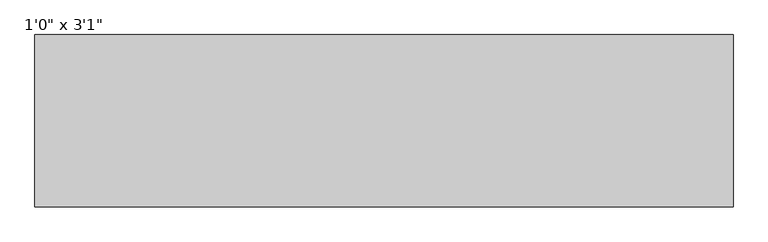
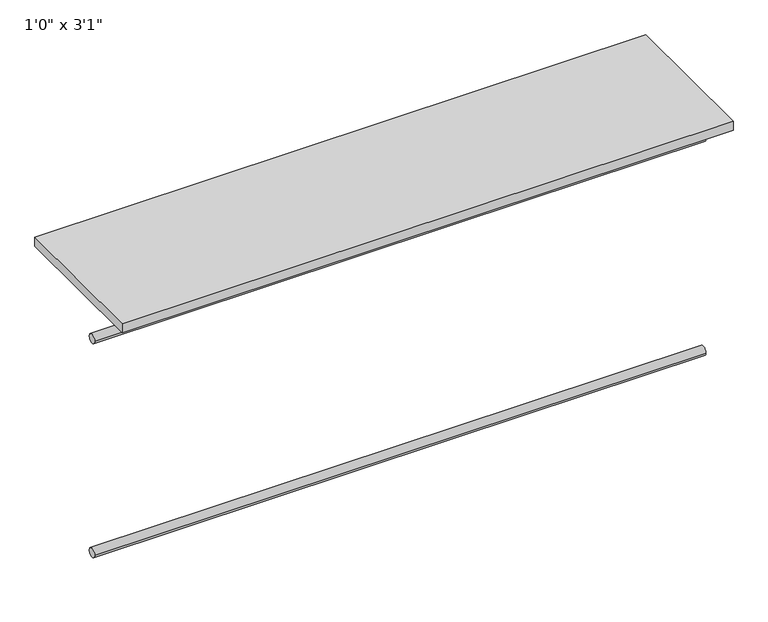
"""IFC4 building model written with IfcOpenShell, lengths in millimetres: furniture geometry."""

from ifc_helpers import new_model, si_unit, point, frame, frame_2d, origin, origin_with_axes, place, context, project, spatial, polyline, circle_curve, trimmed, segment, composite_curve, outline, extrude, source, transform, mapped, element, save


def furniture_ce1d0671(model_context):
    return source(origin(), model_context, "Body", "SweptSolid", [
        extrude(outline(composite_curve([segment(trimmed(circle_curve(frame_2d((342.9, -711.2)), 12.7), [point((330.2, -711.2))], [point((355.6, -711.2))], False, "CARTESIAN"), True, "CONTINUOUS"), segment(trimmed(circle_curve(frame_2d((342.9, -711.2)), 12.7), [point((355.6, -711.2))], [point((330.2, -711.2))], False, "CARTESIAN"), True, "CONTINUOUS")], self_intersect=False)), frame((-804.3810451, 0.0, 0.0), z_axis=(1.0, 0.0, 0.0), x_axis=(0.0, 1.0, 0.0)), (0.0, 0.0, 1.0), 1646.2375),
        extrude(outline(composite_curve([segment(trimmed(circle_curve(frame_2d((342.9, -101.6)), 12.7), [point((330.2, -101.6))], [point((355.6, -101.6))], False, "CARTESIAN"), True, "CONTINUOUS"), segment(trimmed(circle_curve(frame_2d((342.9, -101.6)), 12.7), [point((355.6, -101.6))], [point((330.2, -101.6))], False, "CARTESIAN"), True, "CONTINUOUS")], self_intersect=False)), frame((-804.3810451, 0.0, 0.0), z_axis=(1.0, 0.0, 0.0), x_axis=(0.0, 1.0, 0.0)), (0.0, 0.0, 1.0), 1646.2375),
        extrude(outline(polyline([(841.8564549, 203.2), (-804.3810451, 203.2), (-804.3810451, 609.6), (841.8564549, 609.6), (841.8564549, 203.2)])), origin_with_axes(), (0.0, 0.0, 1.0), 25.4),
    ])


if __name__ == "__main__":
    model = new_model("IFC4")
    model_context = context("Model", 3, world=origin())
    ifc_project = project(units=[si_unit("LENGTHUNIT", "METRE", prefix="MILLI")], contexts=[model_context])
    site = spatial("IfcSite", under=ifc_project)
    building = spatial("IfcBuilding", under=site)
    placement = place(None, origin())
    furniture_shape = furniture_ce1d0671(model_context)
    element("IfcFurniture", 1, ObjectType="1'0\" x 3'1\"", at=placement, inside=building, context=model_context, shape_type="MappedRepresentation", body=[
        mapped(furniture_shape, transform((0.0, 0.0, 0.0), x_axis=(1.0, 0.0, 0.0), y_axis=(0.0, 1.0, 0.0), z_axis=(0.0, 0.0, 1.0))),
    ])
    save(model, "model.ifc")
